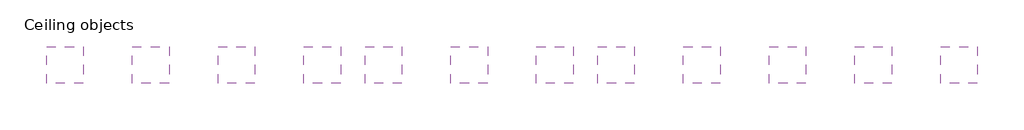
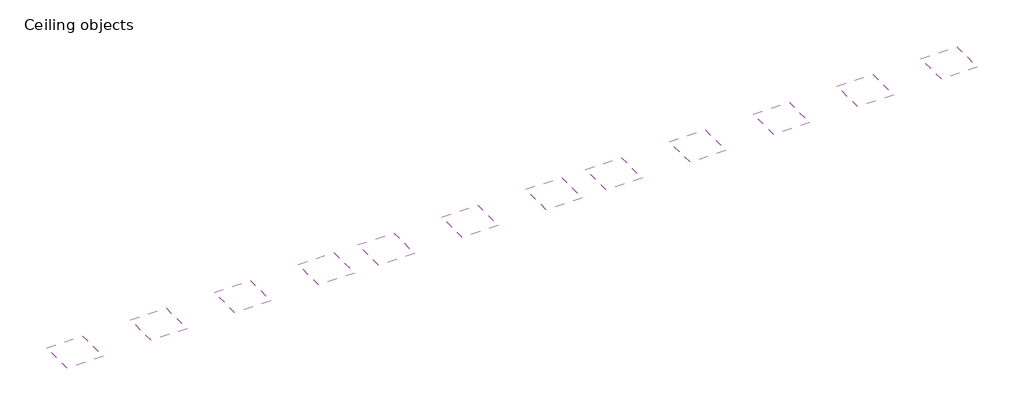
# One storey: 12 coverings.
"""IFC4 building model written with IfcOpenShell, lengths in millimetres."""

from ifc_helpers import new_model, si_unit, frame, origin, place, context, project, spatial, polyline, outline, extrude, element, save

model = new_model("IFC4")

# Units and contexts
model_context = context("Model", 3, world=origin())
ifc_project = project(units=[si_unit("LENGTHUNIT", "METRE", prefix="MILLI")], contexts=[model_context])

# Site, building, storey
site = spatial("IfcSite", under=ifc_project)
building = spatial("IfcBuilding", under=site)
storey = spatial("IfcBuildingStorey", under=building, Name="Ceiling objects", Elevation=0.0)

# Coverings
placement = place(None, origin())
element("IfcCovering", 1, at=placement, inside=storey, context=model_context, shape_type="SweptSolid", body=[
    extrude(outline(polyline([(-4783.0103193, 8117.0281757), (-4783.0103193, 5117.0281757), (-7783.0103193, 5117.0281757), (-7783.0103193, 8117.0281757), (-4783.0103193, 8117.0281757)])), frame((0.0, 0.0, 2600.0), z_axis=(0.0, 0.0, 1.0), x_axis=(1.0, 0.0, 0.0)), (0.0, 0.0, 1.0), 12.5),
])
element("IfcCovering", 2, at=placement, inside=storey, context=model_context, shape_type="SweptSolid", body=[
    extrude(outline(polyline([(2216.9899047, 8117.0281757), (2216.9899047, 5117.0281757), (-783.0100953, 5117.0281757), (-783.0100953, 8117.0281757), (2216.9899047, 8117.0281757)])), frame((0.0, 0.0, 2600.0), z_axis=(0.0, 0.0, 1.0), x_axis=(1.0, 0.0, 0.0)), (0.0, 0.0, 1.0), 12.5),
])
element("IfcCovering", 3, at=placement, inside=storey, context=model_context, shape_type="SweptSolid", body=[
    extrude(outline(polyline([(9216.9901287, 8117.0281757), (9216.9901287, 5117.0281757), (6216.9901287, 5117.0281757), (6216.9901287, 8117.0281757), (9216.9901287, 8117.0281757)])), frame((0.0, 0.0, 2600.0), z_axis=(0.0, 0.0, 1.0), x_axis=(1.0, 0.0, 0.0)), (0.0, 0.0, 1.0), 12.5),
])
element("IfcCovering", 4, at=placement, inside=storey, context=model_context, shape_type="SweptSolid", body=[
    extrude(outline(polyline([(16216.9903527, 8117.0281757), (16216.9903527, 5117.0281757), (13216.9903527, 5117.0281757), (13216.9903527, 8117.0281757), (16216.9903527, 8117.0281757)])), frame((0.0, 0.0, 2600.0), z_axis=(0.0, 0.0, 1.0), x_axis=(1.0, 0.0, 0.0)), (0.0, 0.0, 1.0), 12.5),
])
element("IfcCovering", 5, at=placement, inside=storey, context=model_context, shape_type="SweptSolid", body=[
    extrude(outline(polyline([(21216.9905127, 8117.0281757), (21216.9905127, 5117.0281757), (18216.9905127, 5117.0281757), (18216.9905127, 8117.0281757), (21216.9905127, 8117.0281757)])), frame((0.0, 0.0, 2600.0), z_axis=(0.0, 0.0, 1.0), x_axis=(1.0, 0.0, 0.0)), (0.0, 0.0, 1.0), 12.5),
])
element("IfcCovering", 6, at=placement, inside=storey, context=model_context, shape_type="SweptSolid", body=[
    extrude(outline(polyline([(28216.9907367, 8117.0281757), (28216.9907367, 5117.0281757), (25216.9907367, 5117.0281757), (25216.9907367, 8117.0281757), (28216.9907367, 8117.0281757)])), frame((0.0, 0.0, 2600.0), z_axis=(0.0, 0.0, 1.0), x_axis=(1.0, 0.0, 0.0)), (0.0, 0.0, 1.0), 12.5),
])
element("IfcCovering", 7, at=placement, inside=storey, context=model_context, shape_type="SweptSolid", body=[
    extrude(outline(polyline([(35216.9909607, 8117.0281757), (35216.9909607, 5117.0281757), (32216.9909607, 5117.0281757), (32216.9909607, 8117.0281757), (35216.9909607, 8117.0281757)])), frame((0.0, 0.0, 2600.0), z_axis=(0.0, 0.0, 1.0), x_axis=(1.0, 0.0, 0.0)), (0.0, 0.0, 1.0), 12.5),
])
element("IfcCovering", 8, at=placement, inside=storey, context=model_context, shape_type="SweptSolid", body=[
    extrude(outline(polyline([(40216.9911207, 8117.0281757), (40216.9911207, 5117.0281757), (37216.9911207, 5117.0281757), (37216.9911207, 8117.0281757), (40216.9911207, 8117.0281757)])), frame((0.0, 0.0, 2600.0), z_axis=(0.0, 0.0, 1.0), x_axis=(1.0, 0.0, 0.0)), (0.0, 0.0, 1.0), 12.5),
])
element("IfcCovering", 9, at=placement, inside=storey, context=model_context, shape_type="SweptSolid", body=[
    extrude(outline(polyline([(47216.9913447, 8117.0281757), (47216.9913447, 5117.0281757), (44216.9913447, 5117.0281757), (44216.9913447, 8117.0281757), (47216.9913447, 8117.0281757)])), frame((0.0, 0.0, 2600.0), z_axis=(0.0, 0.0, 1.0), x_axis=(1.0, 0.0, 0.0)), (0.0, 0.0, 1.0), 12.5),
])
element("IfcCovering", 10, at=placement, inside=storey, context=model_context, shape_type="SweptSolid", body=[
    extrude(outline(polyline([(54216.9915687, 8117.0281757), (54216.9915687, 5117.0281757), (51216.9915687, 5117.0281757), (51216.9915687, 8117.0281757), (54216.9915687, 8117.0281757)])), frame((0.0, 0.0, 2600.0), z_axis=(0.0, 0.0, 1.0), x_axis=(1.0, 0.0, 0.0)), (0.0, 0.0, 1.0), 12.5),
])
element("IfcCovering", 11, at=placement, inside=storey, context=model_context, shape_type="SweptSolid", body=[
    extrude(outline(polyline([(61216.9917927, 8117.0281757), (61216.9917927, 5117.0281757), (58216.9917927, 5117.0281757), (58216.9917927, 8117.0281757), (61216.9917927, 8117.0281757)])), frame((0.0, 0.0, 2600.0), z_axis=(0.0, 0.0, 1.0), x_axis=(1.0, 0.0, 0.0)), (0.0, 0.0, 1.0), 12.5),
])
element("IfcCovering", 12, at=placement, inside=storey, context=model_context, shape_type="SweptSolid", body=[
    extrude(outline(polyline([(68216.9920167, 8117.0281757), (68216.9920167, 5117.0281757), (65216.9920167, 5117.0281757), (65216.9920167, 8117.0281757), (68216.9920167, 8117.0281757)])), frame((0.0, 0.0, 2600.0), z_axis=(0.0, 0.0, 1.0), x_axis=(1.0, 0.0, 0.0)), (0.0, 0.0, 1.0), 12.5),
])

save(model, "model.ifc")
